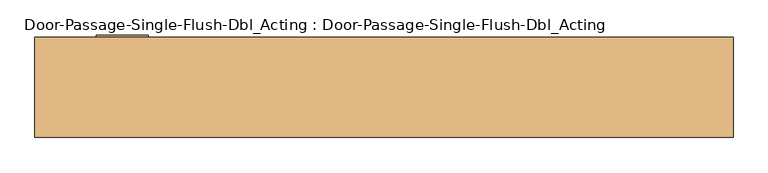
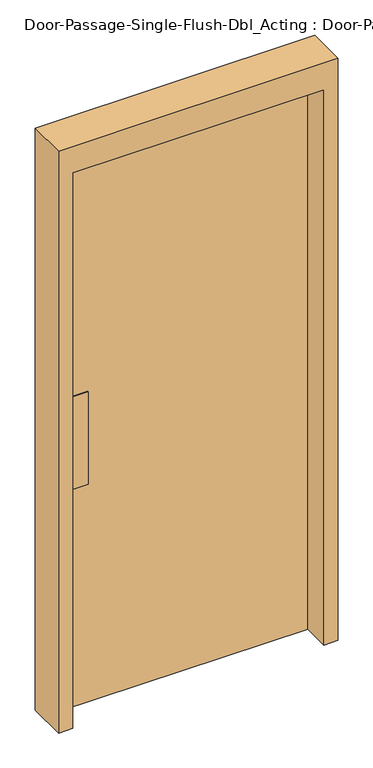
"""IFC4 building model written with IfcOpenShell, lengths in millimetres: door geometry, Door-Passage-Single-Flush-Dbl_Acting : Door-Passage-Single-Flush-Dbl_Acting."""

from ifc_helpers import new_model, si_unit, frame, origin, origin_with_axes, place, context, project, spatial, polyline, outline, extrude, source, transform, mapped, element, save


def door_passage_single_flush_dbl_acting_door_passage_single_3aee8fe9(model_context):
    return source(origin(), model_context, "Body", "SweptSolid", [
        extrude(outline(polyline([(-419.1, 85.725), (-419.1, 88.9), (-342.9, 88.9), (-342.9, 85.725), (-419.1, 85.725)])), frame((0.0, 0.0, 838.2), z_axis=(0.0, 0.0, 1.0), x_axis=(1.0, 0.0, 0.0)), (0.0, 0.0, 1.0), 355.6),
        extrude(outline(polyline([(-419.1, 136.525), (-342.9, 136.525), (-342.9, 133.35), (-419.1, 133.35), (-419.1, 136.525)])), frame((0.0, 0.0, 838.2), z_axis=(0.0, 0.0, 1.0), x_axis=(1.0, 0.0, 0.0)), (0.0, 0.0, 1.0), 355.6),
        extrude(outline(polyline([(0.0, 457.2), (0.0, 508.0), (2235.2, 508.0), (2235.2, -508.0), (0.0, -508.0), (0.0, -457.2), (2133.6, -457.2), (2133.6, 457.2), (0.0, 457.2)])), frame((0.0, -12.7, 0.0), z_axis=(0.0, 1.0, 0.0), x_axis=(0.0, 0.0, 1.0)), (0.0, 0.0, 1.0), 146.05),
        extrude(outline(polyline([(457.2, 88.9), (-457.2, 88.9), (-457.2, 133.35), (457.2, 133.35), (457.2, 88.9)])), origin_with_axes(), (0.0, 0.0, 1.0), 2133.6),
    ])


if __name__ == "__main__":
    model = new_model("IFC4")
    model_context = context("Model", 3, world=origin())
    ifc_project = project(units=[si_unit("LENGTHUNIT", "METRE", prefix="MILLI")], contexts=[model_context])
    site = spatial("IfcSite", under=ifc_project)
    building = spatial("IfcBuilding", under=site)
    placement = place(None, origin())
    door_passage_single_flush_dbl_acting_door_passage_single_shape = door_passage_single_flush_dbl_acting_door_passage_single_3aee8fe9(model_context)
    element("IfcDoor", 1, ObjectType="Door-Passage-Single-Flush-Dbl_Acting : Door-Passage-Single-Flush-Dbl_Acting", at=placement, inside=building, context=model_context, shape_type="MappedRepresentation", body=[
        mapped(door_passage_single_flush_dbl_acting_door_passage_single_shape, transform((0.0, 0.0, 0.0), x_axis=(1.0, 0.0, 0.0), y_axis=(0.0, 1.0, 0.0), z_axis=(0.0, 0.0, 1.0))),
    ])
    save(model, "model.ifc")
